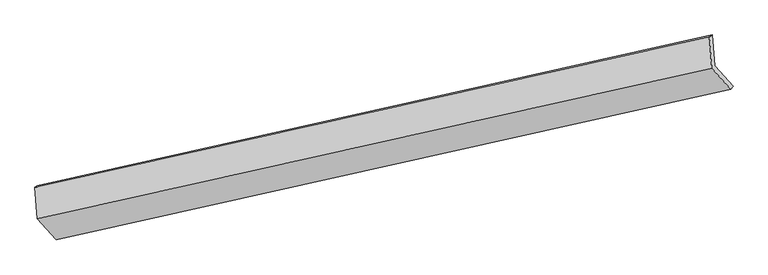
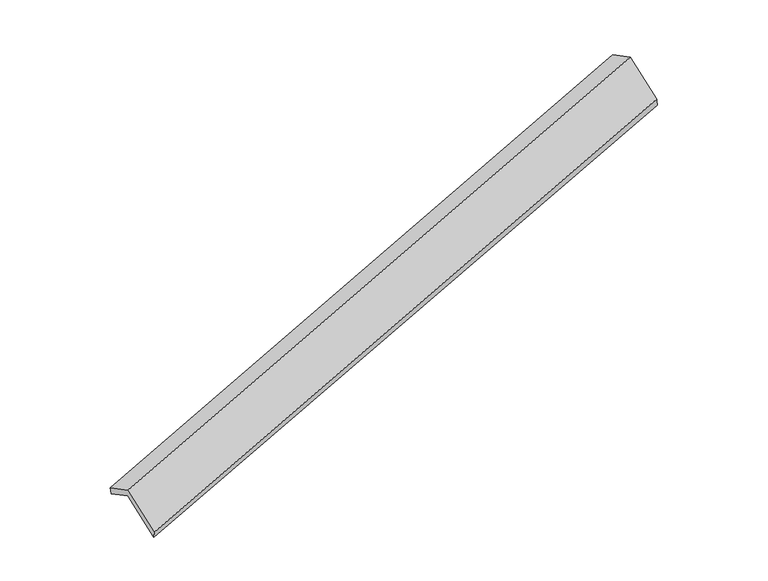
"""IFC4 building model written with IfcOpenShell, lengths in millimetres: proxy geometry."""

import ifcopenshell
import ifcopenshell.guid

model = None  # the IFC model being written
_history = None  # IfcOwnerHistory: only IFC2X3 demands one
_inside = {}  # id of a spatial element -> (the spatial element, [elements in it])
_under = {}  # id of a project, library or spatial element -> (it, [spatial elements below it])
_declared = {}  # id of a project -> (the project, [libraries it declares])
_typed = {}  # id of a type object -> (the type object, [elements of that type])
_made_of = {}  # id of a material, layer set ... -> (it, [elements and type objects made of it])


def new_model(schema):
    """Start an empty IFC model of exactly this schema.

    Asked for "IFC4X3", IfcOpenShell would pick the latest addendum, in which some entities
    have other attributes; the version numbers below select the first issue.
    IFC2X3 requires an IfcOwnerHistory on every rooted entity: one is made here for all.
    """
    global model, _history
    if schema == "IFC4X3":
        model = ifcopenshell.file(schema_version=(4, 3, 0, 0))
    else:
        model = ifcopenshell.file(schema=schema)
    _inside.clear()
    _under.clear()
    _declared.clear()
    _typed.clear()
    _made_of.clear()
    _history = None
    if model.schema == "IFC2X3":
        org = make("IfcOrganization", Name="unknown")
        user = make(
            "IfcPersonAndOrganization",
            ThePerson=make("IfcPerson", FamilyName="unknown"),
            TheOrganization=org,
        )
        app = make(
            "IfcApplication",
            ApplicationDeveloper=org,
            Version="unknown",
            ApplicationFullName="unknown",
            ApplicationIdentifier="unknown",
        )
        _history = make(
            "IfcOwnerHistory",
            OwningUser=user,
            OwningApplication=app,
            ChangeAction="ADDED",
            CreationDate=0,
        )
    return model


def make(cls, **values):
    """One entity of the class cls with the attributes given. An attribute that is None is left unset."""
    return model.create_entity(
        cls, **{name: value for name, value in values.items() if value is not None}
    )


def rooted(cls, **values):
    """An entity with a GlobalId (a new one), such as an element, a storey or a relation."""
    return make(cls, GlobalId=ifcopenshell.guid.new(), OwnerHistory=_history, **values)


def si_unit(unit_type, name, prefix=None):
    """IfcSIUnit, for example si_unit("LENGTHUNIT", "METRE", prefix="MILLI")."""
    return make("IfcSIUnit", UnitType=unit_type, Prefix=prefix, Name=name)


def assignment(units):
    """IfcUnitAssignment: the units of a project."""
    return None if units is None else make("IfcUnitAssignment", Units=units)


def point(xyz):
    """IfcCartesianPoint."""
    return None if xyz is None else make("IfcCartesianPoint", Coordinates=xyz)


def direction(xyz):
    """IfcDirection."""
    return None if xyz is None else make("IfcDirection", DirectionRatios=xyz)


def frame(location, z_axis=None, x_axis=None):
    """IfcAxis2Placement3D, a coordinate frame: its origin and axes. An axis left out is left unset."""
    return make(
        "IfcAxis2Placement3D",
        Location=point(location),
        Axis=direction(z_axis),
        RefDirection=direction(x_axis),
    )


def origin():
    """The frame at (0, 0, 0) with its axes left unset."""
    return frame((0.0, 0.0, 0.0))


def place(relative_to, where):
    """IfcLocalPlacement: puts the frame where relative to a parent placement (None: the world)."""
    return make(
        "IfcLocalPlacement", PlacementRelTo=relative_to, RelativePlacement=where
    )


def context(
    kind, dimensions, precision=None, world=None, true_north=None, identifier=None
):
    """IfcGeometricRepresentationContext, for example the 3D "Model" context."""
    return make(
        "IfcGeometricRepresentationContext",
        ContextIdentifier=identifier,
        ContextType=kind,
        CoordinateSpaceDimension=dimensions,
        Precision=precision,
        WorldCoordinateSystem=world,
        TrueNorth=true_north,
    )


def project(units=None, contexts=None):
    """IfcProject with its units and contexts."""
    return rooted(
        "IfcProject",
        Name="project",
        RepresentationContexts=contexts,
        UnitsInContext=assignment(units),
    )


def spatial(cls, under=None, at=None, **own):
    """A site, building, storey or space (cls), placed at a placement, below another one or the project."""
    s = rooted(cls, ObjectPlacement=at, **own)
    if under is not None:
        _under.setdefault(under.id(), (under, []))[1].append(s)
    return s


def shape(context_of_items, identifier, shape_type, items):
    """IfcShapeRepresentation: the items that make up one representation, for example the "Body"."""
    return make(
        "IfcShapeRepresentation",
        ContextOfItems=context_of_items,
        RepresentationIdentifier=identifier,
        RepresentationType=shape_type,
        Items=items,
    )


def source(mapping_origin, context_of_items, identifier, shape_type, items):
    """IfcRepresentationMap: a shape defined once, which mapped items show again and again."""
    return make(
        "IfcRepresentationMap",
        MappingOrigin=mapping_origin,
        MappedRepresentation=shape(context_of_items, identifier, shape_type, items),
    )


def transform(
    local_origin,
    x_axis=None,
    y_axis=None,
    z_axis=None,
    scale=None,
    scale2=None,
    scale3=None,
    uniform=True,
):
    """IfcCartesianTransformationOperator3D, or its non-uniform kind. x_axis, y_axis, z_axis: its Axis1, 2, 3."""
    if uniform:
        return make(
            "IfcCartesianTransformationOperator3D",
            Axis1=direction(x_axis),
            Axis2=direction(y_axis),
            LocalOrigin=point(local_origin),
            Scale=scale,
            Axis3=direction(z_axis),
        )
    return make(
        "IfcCartesianTransformationOperator3DnonUniform",
        Axis1=direction(x_axis),
        Axis2=direction(y_axis),
        LocalOrigin=point(local_origin),
        Scale=scale,
        Axis3=direction(z_axis),
        Scale2=scale2,
        Scale3=scale3,
    )


def mapped(mapping_source, mapping_target):
    """IfcMappedItem: shows the shape of a source again, moved by a transform."""
    return make(
        "IfcMappedItem", MappingSource=mapping_source, MappingTarget=mapping_target
    )


def made_of(thing, what):
    """Note that an element or type object is made of a material, layer set ...; save() writes the relation."""
    if what is not None:
        _made_of.setdefault(what.id(), (what, []))[1].append(thing)
    return thing


def element(
    cls,
    number,
    at=None,
    inside=None,
    cuts=None,
    type_object=None,
    material=None,
    context=None,
    identifier="Body",
    shape_type=None,
    held_by="IfcProductDefinitionShape",
    body=None,
    shapes=None,
    **own,
):
    """One element of the class cls, such as IfcWall. Its Tag is "e" and its number.

    at: its placement. inside: the storey or other place that contains it. cuts: it is an
    opening in that element (IfcRelVoidsElement). A single representation is given by context,
    identifier, shape_type and body (its items); several are given by shapes. held_by: the class
    of the entity that holds the representations. save() writes the other relations.
    """
    e = rooted(cls, Tag="e%d" % number, ObjectPlacement=at, **own)
    if body is not None:
        shapes = [shape(context, identifier, shape_type, body)]
    if shapes is not None:
        e.Representation = make(held_by, Representations=shapes)
    if inside is not None:
        _inside.setdefault(inside.id(), (inside, []))[1].append(e)
    if cuts is not None:
        rooted(
            "IfcRelVoidsElement", RelatingBuildingElement=cuts, RelatedOpeningElement=e
        )
    if type_object is not None:
        _typed.setdefault(type_object.id(), (type_object, []))[1].append(e)
    return made_of(e, material)


def aggregate(whole, parts):
    """IfcRelAggregates: a whole, such as a stair, and the parts it consists of."""
    return rooted("IfcRelAggregates", RelatingObject=whole, RelatedObjects=parts)


def save(model, path):
    """Write the relations noted so far, then the file.

    IfcRelAggregates (storeys below a building ...), IfcRelContainedInSpatialStructure (elements
    in a storey), IfcRelDefinesByType, IfcRelAssociatesMaterial and IfcRelDeclares: one each for
    every whole, place, type object, material and project.
    """
    for whole, parts in _under.values():
        aggregate(whole, parts)
    for where, things in _inside.values():
        rooted(
            "IfcRelContainedInSpatialStructure",
            RelatedElements=things,
            RelatingStructure=where,
        )
    for kind, things in _typed.values():
        rooted("IfcRelDefinesByType", RelatedObjects=things, RelatingType=kind)
    for what, things in _made_of.values():
        rooted("IfcRelAssociatesMaterial", RelatedObjects=things, RelatingMaterial=what)
    for by, libraries in _declared.values():
        rooted("IfcRelDeclares", RelatingContext=by, RelatedDefinitions=libraries)
    model.write(path)


def plane_surface(at):
    """IfcPlane: the flat surface through the origin of the frame at, square to its z axis."""
    return make("IfcPlane", Position=at)


def spline_surface(u_degree, v_degree, points, u_multiplicities, v_multiplicities, u_knots, v_knots, weights=None):
    """IfcBSplineSurfaceWithKnots; with weights, IfcRationalBSplineSurfaceWithKnots. points: one row for each step in u."""
    own = dict(
        UDegree=u_degree,
        VDegree=v_degree,
        ControlPointsList=[[point(p) for p in row] for row in points],
        SurfaceForm="UNSPECIFIED",
        UClosed=False,
        VClosed=False,
        SelfIntersect=False,
        UMultiplicities=u_multiplicities,
        VMultiplicities=v_multiplicities,
        UKnots=u_knots,
        VKnots=v_knots,
        KnotSpec="UNSPECIFIED",
    )
    if weights is None:
        return make("IfcBSplineSurfaceWithKnots", **own)
    return make("IfcRationalBSplineSurfaceWithKnots", WeightsData=weights, **own)


def advanced_brep(points, edges, surfaces, faces):
    """IfcAdvancedBrep: a solid bounded by faces that lie on surfaces and meet in shared edges.

    An edge is (start, end): straight between two places in points (the first is 0);
    or (start, end, curve); or (start, end, curve, False) where it runs against its curve.
    A face is (place in surfaces, loops), or (place, loops, False) where it looks against
    its surface's normal. A loop lists edges by number (the first is 1), with a minus sign
    where the edge is run from its end to its start. The first loop is the outer one.
    """
    corners = [point(p) for p in points]
    vertices = [make("IfcVertexPoint", VertexGeometry=c) for c in corners]
    made = []
    for start, end, *more in edges:
        made.append(
            make(
                "IfcEdgeCurve",
                EdgeStart=vertices[start],
                EdgeEnd=vertices[end],
                EdgeGeometry=more[0] if more else make("IfcPolyline", Points=[corners[start], corners[end]]),
                SameSense=more[1] if len(more) > 1 else True,
            )
        )
    hull = []
    for where, loops, *sense in faces:
        bounds = []
        for j, loop in enumerate(loops):
            ring = [make("IfcOrientedEdge", EdgeElement=made[abs(k) - 1], Orientation=k > 0) for k in loop]
            bounds.append(
                make(
                    "IfcFaceOuterBound" if j == 0 else "IfcFaceBound",
                    Bound=make("IfcEdgeLoop", EdgeList=ring),
                    Orientation=True,
                )
            )
        hull.append(make("IfcAdvancedFace", Bounds=bounds, FaceSurface=surfaces[where], SameSense=sense[0] if sense else True))
    return make("IfcAdvancedBrep", Outer=make("IfcClosedShell", CfsFaces=hull))


def generic_models_bf6ecc65(model_context):
    return source(origin(), model_context, "Body", "AdvancedBrep", [
        advanced_brep(
        [(-7521.3374259, -2553.272184, 718.2437432), (-7550.6359569, -2149.4220893, 522.4434815), (1653.6237148, -91.6885026, 3343.4267441), (1683.8993678, -509.0072178, 3545.7570512), (-7583.2429035, -2168.6015855, 641.6593533), (1614.9929068, -116.5770679, 3486.2248046), (-7552.099804, -2597.8771587, 849.7867519), (1646.1360063, -545.8526411, 3694.3522032), (-7295.4105699, -2882.3790927, 224.5743577), (1902.8252404, -830.3545751, 3069.139809), (-7268.1092659, -2833.9380308, 101.461412), (1937.1275278, -789.6730647, 2928.9747199)],
        [
            (0, 1),
            (1, 2),
            (2, 3),
            (3, 0),
            (1, 4),
            (4, 5),
            (5, 2),
            (4, 6),
            (6, 7),
            (7, 5),
            (6, 8),
            (8, 9),
            (9, 7),
            (8, 10),
            (10, 11),
            (11, 9),
            (10, 0),
            (3, 11),
        ],
        [
            plane_surface(frame((-7535.9866914, -2351.3471366, 620.3436124), z_axis=(0.3483021000226598, -0.38836550405957593, -0.8531458740311392), x_axis=(-0.06514146422343359, 0.8979080386560344, -0.435336357034076))),
            spline_surface(1, 1, [[(-7550.6359569, -2149.4220893, 522.4434815), (1653.6237148, -91.6885026, 3343.4267441)], [(-7583.2429035, -2168.6015855, 641.6593533), (1614.9929068, -116.5770679, 3486.2248046)]], [2, 2], [2, 2], [0.0, 1.0], [0.0, 1.0]),
            plane_surface(frame((-7567.6713537, -2383.2393721, 745.7230526), z_axis=(-0.3502011939028574, 0.3879437406450486, 0.8525601315352137), x_axis=(0.06514146422337043, -0.8979080386560137, 0.4353363570341286))),
            plane_surface(frame((-7423.7551869, -2740.1281257, 537.1805548), z_axis=(0.06561607831280454, -0.897802313713956, 0.4354831061668356), x_axis=(0.3500491713276306, -0.3879775736334451, -0.8526071662907507))),
            spline_surface(1, 1, [[(-7295.4105699, -2882.3790927, 224.5743577), (1902.8252404, -830.3545751, 3069.139809)], [(-7268.1092659, -2833.9380308, 101.461412), (1937.1275278, -789.6730647, 2928.9747199)]], [2, 2], [2, 2], [0.0, 1.0], [0.0, 1.0]),
            plane_surface(frame((-7394.7233459, -2693.6051074, 409.8525776), z_axis=(-0.06561607831283868, 0.8978023137139943, -0.43548310616675145), x_axis=(-0.35004917132761043, 0.38797757363335966, 0.8526071662907979))),
            plane_surface(frame((1739.7674607, -480.5255115, 3344.6458887), z_axis=(0.9344635719447154, 0.2079292102481477, 0.2890385376276061), x_axis=(0.22879438664894236, 0.27134345586041314, -0.9348935006724896))),
            plane_surface(frame((-7461.8059877, -2530.9150235, 509.6948499), z_axis=(-0.9344635719447147, -0.20792921024810337, -0.28903853762764), x_axis=(0.35004917132762225, -0.38797757363336804, -0.8526071662907891))),
        ],
        [
            (0, [[1, 2, 3, 4]]),
            (1, [[5, 6, 7, -2]]),
            (2, [[8, 9, 10, -6]]),
            (3, [[11, 12, 13, -9]]),
            (4, [[14, 15, 16, -12]]),
            (5, [[17, -4, 18, -15]]),
            (6, [[-16, -18, -3, -7, -10, -13]]),
            (7, [[-17, -14, -11, -8, -5, -1]]),
        ],
    ),
    ])


if __name__ == "__main__":
    model = new_model("IFC4")
    model_context = context("Model", 3, world=origin())
    ifc_project = project(units=[si_unit("LENGTHUNIT", "METRE", prefix="MILLI")], contexts=[model_context])
    site = spatial("IfcSite", under=ifc_project)
    building = spatial("IfcBuilding", under=site)
    placement = place(None, origin())
    generic_models_shape = generic_models_bf6ecc65(model_context)
    element("IfcBuildingElementProxy", 1, Name="Generic Models", at=placement, inside=building, context=model_context, shape_type="MappedRepresentation", body=[
        mapped(generic_models_shape, transform((0.0, 0.0, 0.0), x_axis=(1.0, 0.0, 0.0), y_axis=(0.0, 1.0, 0.0), z_axis=(0.0, 0.0, 1.0))),
    ])
    save(model, "model.ifc")
